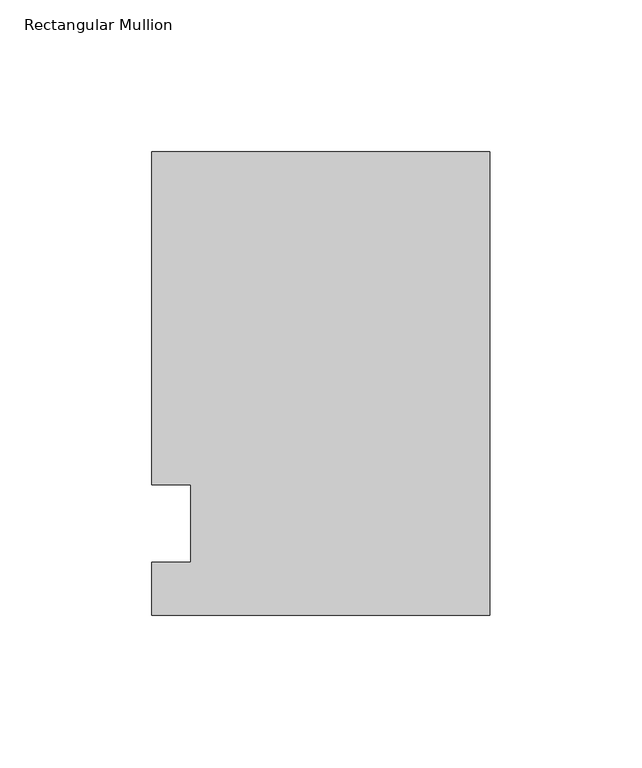
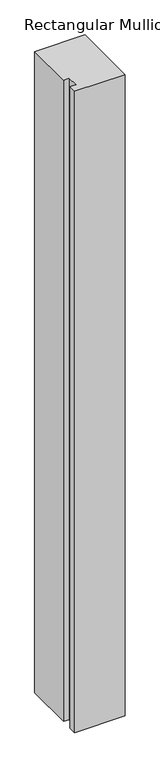
"""IFC4 building model written with IfcOpenShell, lengths in millimetres: member geometry, Rectangular Mullion."""

from ifc_helpers import new_model, si_unit, frame, origin, place, context, project, spatial, polyline, outline, extrude, source, transform, mapped, element, save


def rectangular_mullion_b94db817(model_context):
    return source(origin(), model_context, "Body", "SweptSolid", [
        extrude(outline(polyline([(-111.125, 122.2375), (0.0, 122.2375), (0.0, -30.1625), (-111.125, -30.1625), (-111.125, -12.7), (-98.4232296, -12.7), (-98.4232296, 12.7), (-111.125, 12.7), (-111.125, 122.2375)])), frame((0.0, 0.0, -1493.52), z_axis=(0.0, 0.0, 1.0), x_axis=(1.0, 0.0, 0.0)), (0.0, 0.0, 1.0), 1493.52),
    ])


if __name__ == "__main__":
    model = new_model("IFC4")
    model_context = context("Model", 3, world=origin())
    ifc_project = project(units=[si_unit("LENGTHUNIT", "METRE", prefix="MILLI")], contexts=[model_context])
    site = spatial("IfcSite", under=ifc_project)
    building = spatial("IfcBuilding", under=site)
    placement = place(None, origin())
    rectangular_mullion_shape = rectangular_mullion_b94db817(model_context)
    element("IfcMember", 1, ObjectType="Rectangular Mullion", at=placement, inside=building, context=model_context, shape_type="MappedRepresentation", body=[
        mapped(rectangular_mullion_shape, transform((0.0, 0.0, 0.0), x_axis=(1.0, 0.0, 0.0), y_axis=(0.0, 1.0, 0.0), z_axis=(0.0, 0.0, 1.0))),
    ])
    save(model, "model.ifc")
